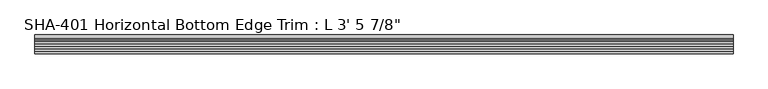
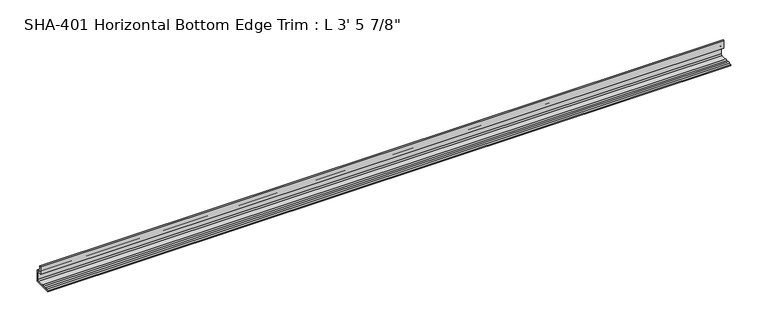
"""IFC4 building model written with IfcOpenShell, lengths in millimetres: proxy geometry."""

from ifc_helpers import new_model, si_unit, point, frame, frame_2d, origin, place, context, project, spatial, polyline, circle_curve, trimmed, segment, composite_curve, outline, extrude, source, transform, mapped, element, save


def proxy_da4a6d97(model_context):
    return source(origin(), model_context, "Body", "SweptSolid", [
        extrude(outline(composite_curve([segment(polyline([(-7.2036308, 29.6006869), (-5.392657, 19.0246), (0.0, 19.0246), (0.0, 0.0), (-13.8696178, 0.0), (-28.575, 0.0), (-28.575, 1.5748), (-24.7045919, 1.5748)]), True, "CONTINUOUS"), segment(trimmed(circle_curve(frame_2d((-23.1297919, 1.5748)), 1.5748), [point((-24.7045919, 1.5748))], [point((-21.5549919, 1.5748))], False, "CARTESIAN"), True, "CONTINUOUS"), segment(polyline([(-21.5549919, 1.5748), (-17.018, 1.5748)]), True, "CONTINUOUS"), segment(trimmed(circle_curve(frame_2d((-15.4432, 1.4838146)), 1.5774262), [point((-17.018, 1.5748))], [point((-13.9230434, 1.905))], False, "CARTESIAN"), True, "CONTINUOUS"), segment(polyline([(-13.9230434, 1.905), (-3.81, 1.905)]), True, "CONTINUOUS"), segment(trimmed(circle_curve(frame_2d((-3.81, 3.81)), 1.905), [point((-3.81, 1.905))], [point((-1.905, 3.81))], True, "CARTESIAN"), True, "CONTINUOUS"), segment(polyline([(-1.905, 3.81), (-1.905, 15.2146)]), True, "CONTINUOUS"), segment(trimmed(circle_curve(frame_2d((-3.81, 15.2146)), 1.905), [point((-1.905, 15.2146))], [point((-3.81, 17.1196))], True, "CARTESIAN"), True, "CONTINUOUS"), segment(polyline([(-3.81, 17.1196), (-9.525, 17.1196), (-9.525, 29.5346031)]), True, "CONTINUOUS"), segment(trimmed(circle_curve(frame_2d((-8.3323235, 28.4438454)), 1.6162393), [point((-9.525, 29.5346031))], [point((-7.2036308, 29.6006869))], False, "CARTESIAN"), True, "CONTINUOUS")], self_intersect=False)), frame((0.0, 0.0, 0.0), z_axis=(1.0, 0.0, 0.0), x_axis=(0.0, 1.0, 0.0)), (0.0, 0.0, 1.0), 1063.625),
    ])


if __name__ == "__main__":
    model = new_model("IFC4")
    model_context = context("Model", 3, world=origin())
    ifc_project = project(units=[si_unit("LENGTHUNIT", "METRE", prefix="MILLI")], contexts=[model_context])
    site = spatial("IfcSite", under=ifc_project)
    building = spatial("IfcBuilding", under=site)
    placement = place(None, origin())
    proxy_shape = proxy_da4a6d97(model_context)
    element("IfcBuildingElementProxy", 1, Name="SHA-401 Horizontal Bottom Edge Trim : L 3' 5 7/8\"", ObjectType="SHA-401 Horizontal Bottom Edge Trim : L 3' 5 7/8\"", at=placement, inside=building, context=model_context, shape_type="MappedRepresentation", body=[
        mapped(proxy_shape, transform((0.0, 0.0, 0.0), x_axis=(1.0, 0.0, 0.0), y_axis=(0.0, 1.0, 0.0), z_axis=(0.0, 0.0, 1.0))),
    ])
    save(model, "model.ifc")
